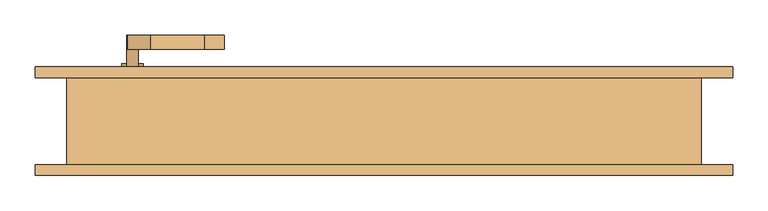
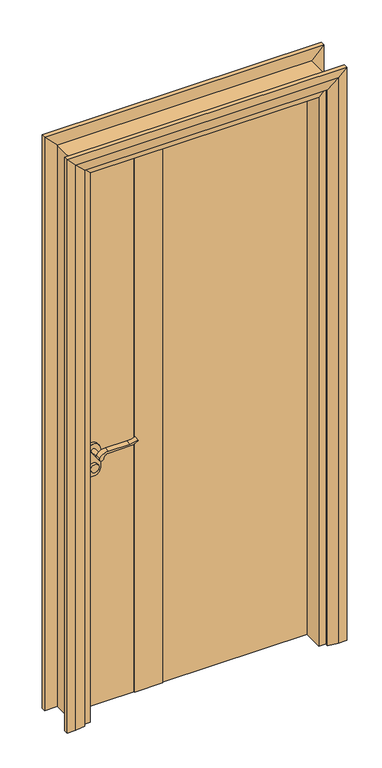
"""IFC4 building model written with IfcOpenShell, lengths in millimetres: door geometry."""

from ifc_helpers import new_model, si_unit, point, frame, frame_2d, origin, origin_with_axes, place, context, project, spatial, polyline, circle_curve, trimmed, segment, composite_curve, outline, extrude, faceted_brep, source, transform, mapped, element, save


def door_906d1d52(model_context):
    return source(origin(), model_context, "Body", "SolidModel", [
        extrude(outline(composite_curve([segment(trimmed(circle_curve(frame_2d((900.0, -357.0)), 15.0), [point((900.0, -342.0))], [point((900.0, -372.0))], False, "CARTESIAN"), True, "CONTINUOUS"), segment(trimmed(circle_curve(frame_2d((900.0, -357.0)), 15.0), [point((900.0, -372.0))], [point((900.0, -342.0))], False, "CARTESIAN"), True, "CONTINUOUS")], self_intersect=False)), frame((0.0, 72.0, 0.0), z_axis=(0.0, 1.0, 0.0), x_axis=(0.0, 0.0, 1.0)), (0.0, 0.0, 1.0), 10.0),
        extrude(outline(composite_curve([segment(trimmed(circle_curve(frame_2d((900.0, -357.0)), 15.0), [point((900.0, -342.0))], [point((900.0, -372.0))], False, "CARTESIAN"), True, "CONTINUOUS"), segment(trimmed(circle_curve(frame_2d((900.0, -357.0)), 15.0), [point((900.0, -372.0))], [point((900.0, -342.0))], False, "CARTESIAN"), True, "CONTINUOUS")], self_intersect=False)), frame((0.0, -8.0, 0.0), z_axis=(0.0, 1.0, 0.0), x_axis=(0.0, 0.0, 1.0)), (0.0, 0.0, 1.0), 10.0),
        extrude(outline(composite_curve([segment(trimmed(circle_curve(frame_2d((960.0, -357.0)), 8.0), [point((964.6523287, -363.5081363))], [point((960.0, -349.0))], False, "CARTESIAN"), True, "CONTINUOUS"), segment(trimmed(circle_curve(frame_2d((954.8738613, -331.6138099)), 18.1261387), [point((960.0, -349.0))], [point((973.0, -331.6138099))], True, "CARTESIAN"), True, "CONTINUOUS"), segment(polyline([(973.0, -331.6138099), (973.0, -255.3564091)]), True, "CONTINUOUS"), segment(trimmed(circle_curve(frame_2d((1032.2709207, -258.9396612)), 59.3791355), [point((973.0, -255.3564091))], [point((982.2135558, -227.0))], False, "CARTESIAN"), True, "CONTINUOUS"), segment(polyline([(982.2135558, -227.0), (985.0, -227.0)]), True, "CONTINUOUS"), segment(trimmed(circle_curve(frame_2d((1063.2850638, -255.4227909)), 83.2850902), [point((985.0, -227.0))], [point((980.0, -255.3564091))], True, "CARTESIAN"), True, "CONTINUOUS"), segment(polyline([(980.0, -255.3564091), (980.0, -331.6325667)]), True, "CONTINUOUS"), segment(trimmed(circle_curve(frame_2d((942.7555521, -333.3324871)), 37.2832219), [point((980.0, -331.6325667))], [point((964.6523287, -363.5081363))], False, "CARTESIAN"), True, "CONTINUOUS")], self_intersect=False)), frame((0.0, 102.0, 0.0), z_axis=(0.0, 1.0, 0.0), x_axis=(0.0, 0.0, 1.0)), (0.0, 0.0, 1.0), 20.0),
        extrude(outline(composite_curve([segment(trimmed(circle_curve(frame_2d((954.8738682, -331.6138122)), 18.1261318), [point((959.9999903, -349.0))], [point((973.0, -331.6138122))], True, "CARTESIAN"), True, "CONTINUOUS"), segment(polyline([(973.0, -331.6138122), (973.0, -255.3564091)]), True, "CONTINUOUS"), segment(trimmed(circle_curve(frame_2d((1032.2709207, -258.9396612)), 59.3791355), [point((973.0, -255.3564091))], [point((982.2135558, -227.0))], False, "CARTESIAN"), True, "CONTINUOUS"), segment(polyline([(982.2135558, -227.0), (985.0, -227.0)]), True, "CONTINUOUS"), segment(trimmed(circle_curve(frame_2d((1063.2850638, -255.4227909)), 83.2850902), [point((985.0, -227.0))], [point((980.0, -255.3564091))], True, "CARTESIAN"), True, "CONTINUOUS"), segment(polyline([(980.0, -255.3564091), (980.0, -331.6325667)]), True, "CONTINUOUS"), segment(trimmed(circle_curve(frame_2d((942.7555521, -333.3324871)), 37.2832219), [point((980.0, -331.6325667))], [point((964.6523287, -363.5081363))], False, "CARTESIAN"), True, "CONTINUOUS"), segment(trimmed(circle_curve(frame_2d((960.0, -357.0)), 8.0), [point((964.6523287, -363.5081363))], [point((959.9999903, -349.0))], False, "CARTESIAN"), True, "CONTINUOUS")], self_intersect=False)), frame((0.0, -48.0, 0.0), z_axis=(0.0, 1.0, 0.0), x_axis=(0.0, 0.0, 1.0)), (0.0, 0.0, 1.0), 20.0),
        extrude(outline(composite_curve([segment(trimmed(circle_curve(frame_2d((960.0, -357.0)), 8.0), [point((960.0, -349.0))], [point((960.0, -365.0))], False, "CARTESIAN"), True, "CONTINUOUS"), segment(trimmed(circle_curve(frame_2d((960.0, -357.0)), 8.0), [point((960.0, -365.0))], [point((960.0, -349.0))], False, "CARTESIAN"), True, "CONTINUOUS")], self_intersect=False)), frame((0.0, 72.0, 0.0), z_axis=(0.0, 1.0, 0.0), x_axis=(0.0, 0.0, 1.0)), (0.0, 0.0, 1.0), 30.0),
        extrude(outline(composite_curve([segment(trimmed(circle_curve(frame_2d((960.0, -357.0)), 8.0), [point((960.0, -349.0))], [point((960.0, -365.0))], False, "CARTESIAN"), True, "CONTINUOUS"), segment(trimmed(circle_curve(frame_2d((960.0, -357.0)), 8.0), [point((960.0, -365.0))], [point((960.0, -349.0))], False, "CARTESIAN"), True, "CONTINUOUS")], self_intersect=False)), frame((0.0, -28.0, 0.0), z_axis=(0.0, 1.0, 0.0), x_axis=(0.0, 0.0, 1.0)), (0.0, 0.0, 1.0), 30.0),
        extrude(outline(composite_curve([segment(trimmed(circle_curve(frame_2d((890.0, -357.0)), 25.0), [point((890.0, -382.0))], [point((890.0, -332.0))], False, "CARTESIAN"), True, "CONTINUOUS"), segment(polyline([(890.0, -332.0), (960.0, -332.0)]), True, "CONTINUOUS"), segment(trimmed(circle_curve(frame_2d((960.0, -357.0)), 25.0), [point((960.0, -332.0))], [point((960.0, -382.0))], False, "CARTESIAN"), True, "CONTINUOUS"), segment(polyline([(960.0, -382.0), (890.0, -382.0)]), True, "CONTINUOUS")], self_intersect=False)), frame((0.0, 62.0, 0.0), z_axis=(0.0, 1.0, 0.0), x_axis=(0.0, 0.0, 1.0)), (0.0, 0.0, 1.0), 10.0),
        extrude(outline(composite_curve([segment(trimmed(circle_curve(frame_2d((890.0, -357.0)), 25.0), [point((890.0, -382.0))], [point((890.0, -332.0))], False, "CARTESIAN"), True, "CONTINUOUS"), segment(polyline([(890.0, -332.0), (960.0, -332.0)]), True, "CONTINUOUS"), segment(trimmed(circle_curve(frame_2d((960.0, -357.0)), 25.0), [point((960.0, -332.0))], [point((960.0, -382.0))], False, "CARTESIAN"), True, "CONTINUOUS"), segment(polyline([(960.0, -382.0), (890.0, -382.0)]), True, "CONTINUOUS")], self_intersect=False)), frame((0.0, 2.0, 0.0), z_axis=(0.0, 1.0, 0.0), x_axis=(0.0, 0.0, 1.0)), (0.0, 0.0, 1.0), 10.0),
        extrude(outline(polyline([(-207.0, 65.0), (-107.0, 65.0), (-107.0, 9.0), (-207.0, 9.0), (-207.0, 65.0)])), origin_with_axes(), (0.0, 0.0, 1.0), 2067.0),
        faceted_brep([(-420.0, 62.0, 0.0), (-420.0, 9.0, 0.0), (-405.0, 9.0, 0.0), (-405.0, -62.0, 0.0), (-450.0, -62.0, 0.0), (-450.0, 62.0, 0.0), (-420.0, 62.0, 2070.0), (-420.0, 9.0, 2070.0), (-405.0, 9.0, 2055.0), (-405.0, -62.0, 2055.0), (-450.0, -62.0, 2100.0), (-450.0, 62.0, 2100.0), (420.0, 62.0, 2070.0), (420.0, 9.0, 2070.0), (405.0, 9.0, 2055.0), (405.0, -62.0, 2055.0), (450.0, -62.0, 2100.0), (450.0, 62.0, 2100.0), (420.0, 62.0, 0.0), (450.0, 62.0, 0.0), (450.0, -62.0, 0.0), (405.0, -62.0, 0.0), (405.0, 9.0, 0.0), (420.0, 9.0, 0.0)], [[[0, 1, 2, 3, 4, 5]], [[1, 0, 6, 7]], [[2, 1, 7, 8]], [[3, 2, 8, 9]], [[4, 3, 9, 10]], [[5, 4, 10, 11]], [[0, 5, 11, 6]], [[7, 6, 12, 13]], [[8, 7, 13, 14]], [[9, 8, 14, 15]], [[10, 9, 15, 16]], [[11, 10, 16, 17]], [[6, 11, 17, 12]], [[18, 19, 20, 21, 22, 23]], [[13, 12, 18, 23]], [[14, 13, 23, 22]], [[15, 14, 22, 21]], [[16, 15, 21, 20]], [[17, 16, 20, 19]], [[12, 17, 19, 18]]]),
        extrude(outline(polyline([(417.0, 12.0), (-107.0, 12.0), (-107.0, 62.0), (417.0, 62.0), (417.0, 12.0)])), origin_with_axes(), (0.0, 0.0, 1.0), 2067.0),
        extrude(outline(polyline([(-207.0, 12.0), (-417.0, 12.0), (-417.0, 62.0), (-207.0, 62.0), (-207.0, 12.0)])), origin_with_axes(), (0.0, 0.0, 1.0), 2067.0),
        faceted_brep([(-495.0, 62.0, 0.0), (-495.0, 77.0, 0.0), (-465.0, 77.0, 0.0), (-430.0, 72.0, 0.0), (-430.0, 62.0, 0.0), (-495.0, 62.0, 2145.0), (-495.0, 77.0, 2145.0), (-465.0, 77.0, 2115.0), (-430.0, 72.0, 2080.0), (-430.0, 62.0, 2080.0), (495.0, 62.0, 2145.0), (495.0, 77.0, 2145.0), (465.0, 77.0, 2115.0), (430.0, 72.0, 2080.0), (430.0, 62.0, 2080.0), (495.0, 62.0, 0.0), (430.0, 62.0, 0.0), (430.0, 72.0, 0.0), (465.0, 77.0, 0.0), (495.0, 77.0, 0.0)], [[[0, 1, 2, 3, 4]], [[1, 0, 5, 6]], [[2, 1, 6, 7]], [[3, 2, 7, 8]], [[4, 3, 8, 9]], [[0, 4, 9, 5]], [[6, 5, 10, 11]], [[7, 6, 11, 12]], [[8, 7, 12, 13]], [[9, 8, 13, 14]], [[5, 9, 14, 10]], [[15, 16, 17, 18, 19]], [[11, 10, 15, 19]], [[12, 11, 19, 18]], [[13, 12, 18, 17]], [[14, 13, 17, 16]], [[10, 14, 16, 15]]]),
        faceted_brep([(-430.0, -72.0, 0.0), (-465.0, -77.0, 0.0), (-495.0, -77.0, 0.0), (-495.0, -62.0, 0.0), (-430.0, -62.0, 0.0), (-430.0, -72.0, 2080.0), (-465.0, -77.0, 2115.0), (-495.0, -77.0, 2145.0), (-495.0, -62.0, 2145.0), (-430.0, -62.0, 2080.0), (430.0, -72.0, 2080.0), (465.0, -77.0, 2115.0), (495.0, -77.0, 2145.0), (495.0, -62.0, 2145.0), (430.0, -62.0, 2080.0), (430.0, -72.0, 0.0), (430.0, -62.0, 0.0), (495.0, -62.0, 0.0), (495.0, -77.0, 0.0), (465.0, -77.0, 0.0)], [[[0, 1, 2, 3, 4]], [[1, 0, 5, 6]], [[2, 1, 6, 7]], [[3, 2, 7, 8]], [[4, 3, 8, 9]], [[0, 4, 9, 5]], [[6, 5, 10, 11]], [[7, 6, 11, 12]], [[8, 7, 12, 13]], [[9, 8, 13, 14]], [[5, 9, 14, 10]], [[15, 16, 17, 18, 19]], [[11, 10, 15, 19]], [[12, 11, 19, 18]], [[13, 12, 18, 17]], [[14, 13, 17, 16]], [[10, 14, 16, 15]]]),
    ])


if __name__ == "__main__":
    model = new_model("IFC4")
    model_context = context("Model", 3, world=origin())
    ifc_project = project(units=[si_unit("LENGTHUNIT", "METRE", prefix="MILLI")], contexts=[model_context])
    site = spatial("IfcSite", under=ifc_project)
    building = spatial("IfcBuilding", under=site)
    placement = place(None, origin())
    door_shape = door_906d1d52(model_context)
    element("IfcDoor", 1, at=placement, inside=building, context=model_context, shape_type="MappedRepresentation", body=[
        mapped(door_shape, transform((0.0, 0.0, 0.0), x_axis=(1.0, 0.0, 0.0), y_axis=(0.0, 1.0, 0.0), z_axis=(0.0, 0.0, 1.0))),
    ])
    save(model, "model.ifc")
